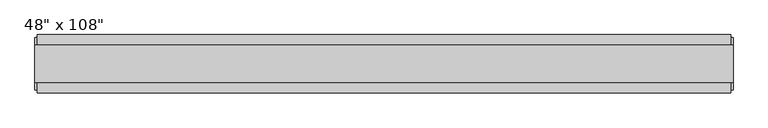
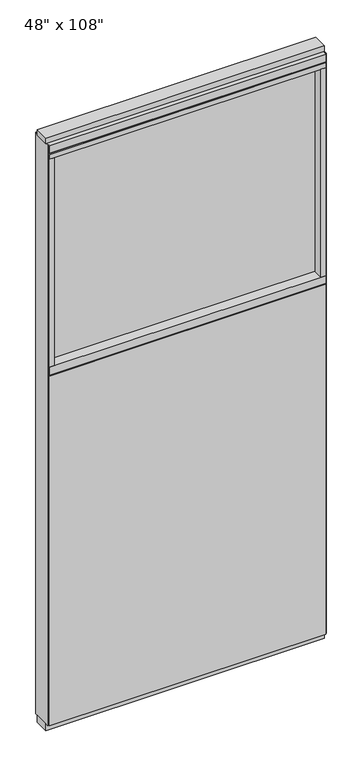
"""IFC4 building model written with IfcOpenShell, lengths in millimetres: furniture geometry."""

from ifc_helpers import new_model, si_unit, frame, origin, origin_with_axes, place, context, project, spatial, polyline, outline, extrude, source, transform, mapped, element, save


def furniture_304654f7(model_context):
    return source(origin(), model_context, "Body", "SweptSolid", [
        extrude(outline(polyline([(545.6264771, -46.2822784), (-665.6995229, -46.2822784), (-665.6995229, -33.5822784), (545.6264771, -33.5822784), (545.6264771, -46.2822784)])), frame((0.0, 0.0, 31.75), z_axis=(0.0, 0.0, 1.0), x_axis=(1.0, 0.0, 0.0)), (0.0, 0.0, 1.0), 1619.25),
        extrude(outline(polyline([(545.6264771, 55.3177216), (545.6264771, 42.6177216), (-665.6995229, 42.6177216), (-665.6995229, 55.3177216), (545.6264771, 55.3177216)])), frame((0.0, 0.0, 31.75), z_axis=(0.0, 0.0, 1.0), x_axis=(1.0, 0.0, 0.0)), (0.0, 0.0, 1.0), 1619.25),
        extrude(outline(polyline([(523.4014771, 9.5977216), (523.4014771, -0.5622784), (-643.4745229, -0.5622784), (-643.4745229, 9.5977216), (523.4014771, 9.5977216)])), frame((0.0, 0.0, 1692.275), z_axis=(0.0, 0.0, 1.0), x_axis=(1.0, 0.0, 0.0)), (0.0, 0.0, 1.0), 962.025),
        extrude(outline(polyline([(523.4014771, 55.3177216), (545.6264771, 55.3177216), (545.6264771, -46.2822784), (523.4014771, -46.2822784), (523.4014771, 55.3177216)])), frame((0.0, 0.0, 1692.275), z_axis=(0.0, 0.0, 1.0), x_axis=(1.0, 0.0, 0.0)), (0.0, 0.0, 1.0), 962.025),
        extrude(outline(polyline([(55.3177216, 1655.953), (50.3647216, 1655.953), (50.3647216, 1651.0), (-41.3292784, 1651.0), (-41.3292784, 1655.953), (-46.2822784, 1655.953), (-46.2822784, 1692.275), (55.3177216, 1692.275), (55.3177216, 1655.953)])), frame((-665.6995229, 0.0, 0.0), z_axis=(1.0, 0.0, 0.0), x_axis=(0.0, 1.0, 0.0)), (0.0, 0.0, 1.0), 1211.326),
        extrude(outline(polyline([(-643.4745229, 55.3177216), (-643.4745229, -46.2822784), (-665.6995229, -46.2822784), (-665.6995229, 55.3177216), (-643.4745229, 55.3177216)])), frame((0.0, 0.0, 1692.275), z_axis=(0.0, 0.0, 1.0), x_axis=(1.0, 0.0, 0.0)), (0.0, 0.0, 1.0), 962.025),
        extrude(outline(polyline([(549.5634771, -27.9942784), (-669.6365229, -27.9942784), (-669.6365229, 37.0297216), (549.5634771, 37.0297216), (549.5634771, -27.9942784)])), origin_with_axes(), (0.0, 0.0, 1.0), 31.75),
        extrude(outline(polyline([(-669.6365229, 37.0297216), (549.5634771, 37.0297216), (549.5634771, -27.9942784), (-669.6365229, -27.9942784), (-669.6365229, 37.0297216)])), frame((0.0, 0.0, 2717.8), z_axis=(0.0, 0.0, 1.0), x_axis=(1.0, 0.0, 0.0)), (0.0, 0.0, 1.0), 25.4),
        extrude(outline(polyline([(55.3177216, 2681.478), (50.3647216, 2681.478), (50.3647216, 2676.525), (-41.3292784, 2676.525), (-41.3292784, 2681.478), (-46.2822784, 2681.478), (-46.2822784, 2717.8), (55.3177216, 2717.8), (55.3177216, 2681.478)])), frame((-665.6995229, 0.0, 0.0), z_axis=(1.0, 0.0, 0.0), x_axis=(0.0, 1.0, 0.0)), (0.0, 0.0, 1.0), 1211.326),
        extrude(outline(polyline([(545.6264771, -46.2822784), (-665.6995229, -46.2822784), (-665.6995229, 55.3177216), (545.6264771, 55.3177216), (545.6264771, -46.2822784)])), frame((0.0, 0.0, 2654.3), z_axis=(0.0, 0.0, 1.0), x_axis=(1.0, 0.0, 0.0)), (0.0, 0.0, 1.0), 22.225),
        extrude(outline(polyline([(549.5634771, 50.3647216), (549.5634771, -41.3292784), (545.6264771, -41.3292784), (545.6264771, 50.3647216), (549.5634771, 50.3647216)])), frame((0.0, 0.0, 31.75), z_axis=(0.0, 0.0, 1.0), x_axis=(1.0, 0.0, 0.0)), (0.0, 0.0, 1.0), 2686.05),
        extrude(outline(polyline([(-669.6365229, 50.3647216), (-665.6995229, 50.3647216), (-665.6995229, -41.3292784), (-669.6365229, -41.3292784), (-669.6365229, 50.3647216)])), frame((0.0, 0.0, 31.75), z_axis=(0.0, 0.0, 1.0), x_axis=(1.0, 0.0, 0.0)), (0.0, 0.0, 1.0), 2686.05),
    ])


if __name__ == "__main__":
    model = new_model("IFC4")
    model_context = context("Model", 3, world=origin())
    ifc_project = project(units=[si_unit("LENGTHUNIT", "METRE", prefix="MILLI")], contexts=[model_context])
    site = spatial("IfcSite", under=ifc_project)
    building = spatial("IfcBuilding", under=site)
    placement = place(None, origin())
    furniture_shape = furniture_304654f7(model_context)
    element("IfcFurniture", 1, ObjectType="48\" x 108\"", at=placement, inside=building, context=model_context, shape_type="MappedRepresentation", body=[
        mapped(furniture_shape, transform((0.0, 0.0, 0.0), x_axis=(1.0, 0.0, 0.0), y_axis=(0.0, 1.0, 0.0), z_axis=(0.0, 0.0, 1.0))),
    ])
    save(model, "model.ifc")
